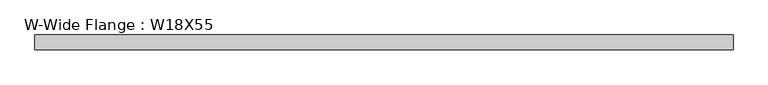
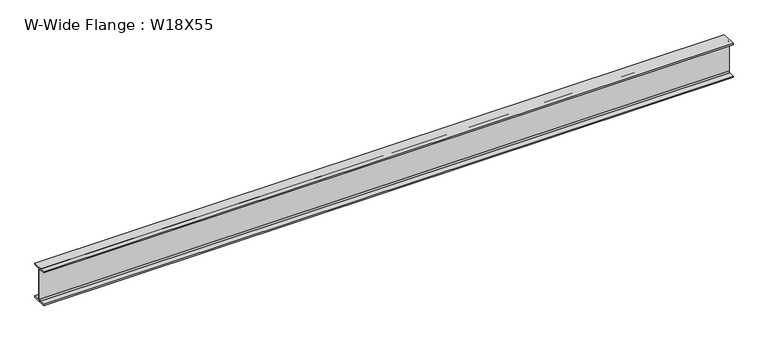
"""IFC4 building model written with IfcOpenShell, lengths in millimetres: beam geometry, W-Wide Flange : W18X55."""

from ifc_helpers import new_model, si_unit, point, frame, frame_2d, origin, place, context, project, spatial, polyline, circle_curve, trimmed, segment, composite_curve, outline, extrude, source, transform, mapped, element, save


def w_wide_flange_w18x55_0ef7ab53(model_context):
    return source(origin(), model_context, "Body", "SweptSolid", [
        extrude(outline(composite_curve([segment(polyline([(95.646875, -213.915625), (95.646875, -229.8898438), (-95.646875, -229.8898438), (-95.646875, -213.915625), (-22.3242188, -213.915625)]), True, "CONTINUOUS"), segment(trimmed(circle_curve(frame_2d((-22.3242188, -196.5523438)), 17.3632813), [point((-22.3242188, -213.915625))], [point((-4.9609375, -196.5523438))], True, "CARTESIAN"), True, "CONTINUOUS"), segment(polyline([(-4.9609375, -196.5523438), (-4.9609375, 196.5523437)]), True, "CONTINUOUS"), segment(trimmed(circle_curve(frame_2d((-22.3242188, 196.5523437)), 17.3632812), [point((-4.9609375, 196.5523437))], [point((-22.3242188, 213.915625))], True, "CARTESIAN"), True, "CONTINUOUS"), segment(polyline([(-22.3242188, 213.915625), (-95.646875, 213.915625), (-95.646875, 229.8898437), (95.646875, 229.8898437), (95.646875, 213.915625), (22.3242187, 213.915625)]), True, "CONTINUOUS"), segment(trimmed(circle_curve(frame_2d((22.3242187, 196.5523437)), 17.3632813), [point((22.3242187, 213.915625))], [point((4.9609375, 196.5523437))], True, "CARTESIAN"), True, "CONTINUOUS"), segment(polyline([(4.9609375, 196.5523437), (4.9609375, -196.5523438)]), True, "CONTINUOUS"), segment(trimmed(circle_curve(frame_2d((22.3242187, -196.5523438)), 17.3632812), [point((4.9609375, -196.5523438))], [point((22.3242187, -213.915625))], True, "CARTESIAN"), True, "CONTINUOUS"), segment(polyline([(22.3242187, -213.915625), (95.646875, -213.915625)]), True, "CONTINUOUS")], self_intersect=False)), frame((-4429.7699219, 0.0, 0.0), z_axis=(1.0, 0.0, 0.0), x_axis=(0.0, 1.0, 0.0)), (0.0, 0.0, 1.0), 8859.5398438),
    ])


if __name__ == "__main__":
    model = new_model("IFC4")
    model_context = context("Model", 3, world=origin())
    ifc_project = project(units=[si_unit("LENGTHUNIT", "METRE", prefix="MILLI")], contexts=[model_context])
    site = spatial("IfcSite", under=ifc_project)
    building = spatial("IfcBuilding", under=site)
    placement = place(None, origin())
    w_wide_flange_w18x55_shape = w_wide_flange_w18x55_0ef7ab53(model_context)
    element("IfcBeam", 1, ObjectType="W-Wide Flange : W18X55", at=placement, inside=building, context=model_context, shape_type="MappedRepresentation", body=[
        mapped(w_wide_flange_w18x55_shape, transform((0.0, 0.0, 0.0), x_axis=(1.0, 0.0, 0.0), y_axis=(0.0, 1.0, 0.0), z_axis=(0.0, 0.0, 1.0))),
    ])
    save(model, "model.ifc")
